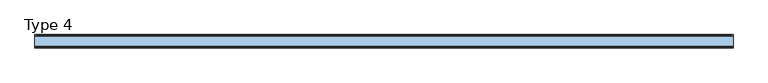
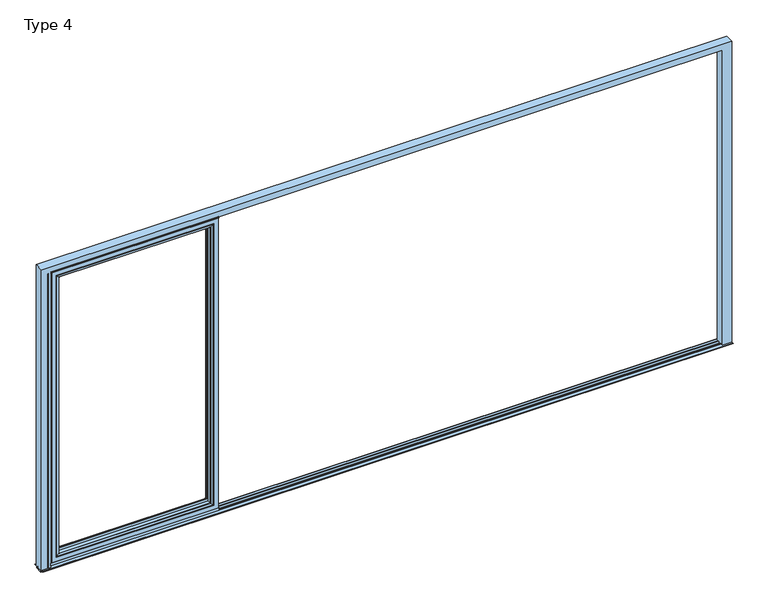
"""IFC4 building model written with IfcOpenShell, lengths in millimetres: window geometry, Type 4."""

from ifc_helpers import new_model, si_unit, point, frame, frame_2d, origin, place, context, project, spatial, polyline, circle_curve, ellipse_curve, trimmed, segment, composite_curve, outline, extrude, source, transform, mapped, element, save
from ifc_brep_helpers import plane_surface, cylinder_surface, advanced_brep


def type_4_be77a5d0(model_context):
    return source(origin(), model_context, "Body", "SolidModel", [
        advanced_brep(
        [(-1319.3995728, -64.5552044, 2283.0004272), (-1319.3995728, -37.9928974, 2283.0004272), (-1319.3995728, -37.9928974, 91.4995728), (-1319.3995728, -64.5552044, 91.4995728), (-1297.4, -37.9928974, 2305.0), (-1297.4, -37.9928974, 69.5), (-2480.8, -37.9928974, 69.5), (-2480.8, -37.9928974, 2305.0), (-2458.8004272, -37.9928974, 2283.0004272), (-2458.8004272, -37.9928974, 91.4995728), (-2458.8004272, -64.5552044, 91.4995728), (-1318.6900293, -65.8045072, 2283.7099707), (-1318.6900293, -65.8045072, 90.7900293), (-2459.5099707, -65.8045072, 90.7900293), (-1303.399939, -70.0, 2299.000061), (-1303.399939, -70.0, 75.499939), (-2474.800061, -70.0, 75.499939), (-2480.8, -70.0, 2305.0), (-2480.8, -70.0, 69.5), (-1297.4, -70.0, 69.5), (-1297.4, -70.0, 2305.0), (-2474.800061, -70.0, 2299.000061), (-2458.8004272, -64.5552044, 2283.0004272), (-2459.5099707, -65.8045072, 2283.7099707)],
        [
            (0, 1),
            (1, 2),
            (2, 3),
            (3, 0),
            (4, 5),
            (5, 6),
            (6, 7),
            (7, 4),
            (8, 9),
            (9, 2),
            (1, 8),
            (9, 10),
            (10, 3),
            (11, 0, ellipse_curve(frame((-1317.9449688, -64.5552044, 2284.4550312), z_axis=(0.7071067811865475, 0.0, -0.7071067811865475), x_axis=(0.7071067811865474, 0.0, 0.7071067811865476)), 2.0571207, 1.454604)),
            (3, 12, ellipse_curve(frame((-1317.9449688, -64.5552044, 90.0449688), z_axis=(0.7071067811865475, 0.0, 0.7071067811865475), x_axis=(-0.7071067811865474, 0.0, 0.7071067811865476)), 2.0571207, 1.454604)),
            (12, 11),
            (10, 13, ellipse_curve(frame((-2460.2550312, -64.5552044, 90.0449688), z_axis=(0.7071067811865475, 0.0, -0.7071067811865475), x_axis=(0.7071067811865476, 0.0, 0.7071067811865474)), 2.0571207, 1.454604)),
            (13, 12),
            (14, 11, ellipse_curve(frame((-1303.4638746, -40.2735922, 2298.9361254), z_axis=(0.7071067811865475, 0.0, -0.7071067811865475), x_axis=(0.7071067811865474, 0.0, 0.7071067811865476)), 42.0395863, 29.7264765)),
            (12, 15, ellipse_curve(frame((-1303.4638746, -40.2735922, 75.5638746), z_axis=(0.7071067811865475, 0.0, 0.7071067811865475), x_axis=(-0.7071067811865474, 0.0, 0.7071067811865476)), 42.0395863, 29.7264765)),
            (15, 14),
            (13, 16, ellipse_curve(frame((-2474.7361254, -40.2735922, 75.5638746), z_axis=(0.7071067811865475, 0.0, -0.7071067811865475), x_axis=(0.7071067811865476, 0.0, 0.7071067811865474)), 42.0395863, 29.7264765)),
            (16, 15),
            (17, 18),
            (18, 19),
            (19, 20),
            (20, 17),
            (16, 21),
            (21, 14),
            (4, 20),
            (19, 5),
            (18, 6),
            (8, 22),
            (22, 10),
            (22, 23, ellipse_curve(frame((-2460.2550312, -64.5552044, 2284.4550312), z_axis=(-0.7071067811865475, 0.0, -0.7071067811865475), x_axis=(0.7071067811865474, 0.0, -0.7071067811865476)), 2.0571207, 1.454604)),
            (23, 13),
            (23, 21, ellipse_curve(frame((-2474.7361254, -40.2735922, 2298.9361254), z_axis=(-0.7071067811865475, 0.0, -0.7071067811865475), x_axis=(0.7071067811865474, 0.0, -0.7071067811865476)), 42.0395863, 29.7264765)),
            (17, 7),
            (0, 22),
            (11, 23),
        ],
        [
            plane_surface(frame((-1319.3995728, -37.9928974, 2283.0004272), z_axis=(-1.0, 0.0, 0.0), x_axis=(0.0, 0.0, -1.0))),
            plane_surface(frame((-2480.8, -37.9928974, 69.5), z_axis=(0.0, 1.0, 0.0), x_axis=(0.0, 0.0, 1.0))),
            plane_surface(frame((-1319.3995728, -37.9928974, 91.4995728), z_axis=(0.0, 0.0, 1.0), x_axis=(-1.0, 0.0, 0.0))),
            cylinder_surface(frame((-1317.9449688, -64.5552044, 2283.0004272), z_axis=(0.0, 0.0, 1.0), x_axis=(1.0, 0.0, 0.0)), 1.454604),
            cylinder_surface(frame((-1319.3995728, -64.5552044, 90.0449688), z_axis=(1.0, 0.0, 0.0), x_axis=(0.0, 0.0, -1.0)), 1.454604),
            cylinder_surface(frame((-1303.4638746, -40.2735922, 2283.0004272), z_axis=(0.0, 0.0, 1.0), x_axis=(1.0, 0.0, 0.0)), 29.7264765),
            cylinder_surface(frame((-1319.3995728, -40.2735922, 75.5638746), z_axis=(1.0, 0.0, 0.0), x_axis=(0.0, 0.0, -1.0)), 29.7264765),
            plane_surface(frame((-2474.800061, -70.0, 75.499939), z_axis=(0.0, -1.0, 0.0), x_axis=(0.0, 0.0, 1.0))),
            plane_surface(frame((-1297.4, -70.0, 2305.0), z_axis=(1.0, 0.0, 0.0), x_axis=(0.0, 0.0, -1.0))),
            plane_surface(frame((-1297.4, -70.0, 69.5), z_axis=(0.0, 0.0, -1.0), x_axis=(-1.0, 0.0, 0.0))),
            plane_surface(frame((-2458.8004272, -37.9928974, 91.4995728), z_axis=(1.0, 0.0, 0.0), x_axis=(0.0, 0.0, 1.0))),
            cylinder_surface(frame((-2460.2550312, -64.5552044, 91.4995728), z_axis=(0.0, 0.0, -1.0), x_axis=(-1.0, 0.0, 0.0)), 1.454604),
            cylinder_surface(frame((-2474.7361254, -40.2735922, 91.4995728), z_axis=(0.0, 0.0, -1.0), x_axis=(-1.0, 0.0, 0.0)), 29.7264765),
            plane_surface(frame((-2480.8, -70.0, 69.5), z_axis=(-1.0, 0.0, 0.0), x_axis=(0.0, 0.0, 1.0))),
            plane_surface(frame((-2458.8004272, -37.9928974, 2283.0004272), z_axis=(0.0, 0.0, -1.0), x_axis=(1.0, 0.0, 0.0))),
            cylinder_surface(frame((-2458.8004272, -64.5552044, 2284.4550312), z_axis=(-1.0, 0.0, 0.0), x_axis=(0.0, 0.0, 1.0)), 1.454604),
            cylinder_surface(frame((-2458.8004272, -40.2735922, 2298.9361254), z_axis=(-1.0, 0.0, 0.0), x_axis=(0.0, 0.0, 1.0)), 29.7264765),
            plane_surface(frame((-2480.8, -70.0, 2305.0), z_axis=(0.0, 0.0, 1.0), x_axis=(1.0, 0.0, 0.0))),
        ],
        [
            (0, [[1, 2, 3, 4]]),
            (1, [[5, 6, 7, 8], [9, 10, -2, 11]]),
            (2, [[-3, -10, 12, 13]]),
            (3, [[14, -4, 15, 16]]),
            (4, [[-15, -13, 17, 18]]),
            (5, [[19, -16, 20, 21]]),
            (6, [[-20, -18, 22, 23]]),
            (7, [[24, 25, 26, 27], [-21, -23, 28, 29]]),
            (8, [[30, -26, 31, -5]]),
            (9, [[-31, -25, 32, -6]]),
            (10, [[-12, -9, 33, 34]]),
            (11, [[-17, -34, 35, 36]]),
            (12, [[-22, -36, 37, -28]]),
            (13, [[-32, -24, 38, -7]]),
            (14, [[-33, -11, -1, 39]]),
            (15, [[-35, -39, -14, 40]]),
            (16, [[-37, -40, -19, -29]]),
            (17, [[-38, -27, -30, -8]]),
        ],
    ),
        advanced_brep(
        [(-2512.8, -70.0, 2337.0), (-2512.8, 0.0, 2337.0), (-2512.8, 0.0, 37.5), (-2512.8, -70.0, 37.5), (-1265.4, 0.0, 37.5), (-1265.4, -70.0, 37.5), (-1265.4, 0.0, 2337.0), (-1314.8991901, 0.0, 86.9991901), (-1314.8991901, 0.0, 2287.5008099), (-2463.3008099, 0.0, 2287.5008099), (-2463.3008099, 0.0, 86.9991901), (-1265.4, -70.0, 2337.0), (-2480.8, -70.0, 69.5), (-2480.8, -70.0, 2305.0), (-1297.4, -70.0, 2305.0), (-1297.4, -70.0, 69.5), (-2480.8, -13.999939, 2305.0), (-2480.8, -13.999939, 69.5), (-1297.4, -13.999939, 69.5), (-1297.4, -13.999939, 2305.0), (-2458.8004272, -13.999939, 91.4995728), (-2458.8004272, -13.999939, 2283.0004272), (-1319.3995728, -13.999939, 2283.0004272), (-1319.3995728, -13.999939, 91.4995728), (-2458.8004272, -4.5004435, 2283.0004272), (-2458.8004272, -4.5004435, 91.4995728), (-1319.3995728, -4.5004435, 91.4995728), (-1319.3995728, -4.5004435, 2283.0004272)],
        [
            (0, 1),
            (1, 2),
            (2, 3),
            (3, 0),
            (2, 4),
            (4, 5),
            (5, 3),
            (1, 6),
            (6, 4),
            (7, 8),
            (8, 9),
            (9, 10),
            (10, 7),
            (6, 11),
            (11, 5),
            (11, 0),
            (12, 13),
            (13, 14),
            (14, 15),
            (15, 12),
            (16, 13),
            (12, 17),
            (17, 16),
            (15, 18),
            (18, 17),
            (14, 19),
            (19, 18),
            (19, 16),
            (20, 21),
            (21, 22),
            (22, 23),
            (23, 20),
            (24, 21),
            (20, 25),
            (25, 24),
            (23, 26),
            (26, 25),
            (22, 27),
            (27, 26),
            (10, 25, ellipse_curve(frame((-2463.3008099, -4.5004435, 86.9991901), z_axis=(0.7071067811865475, 0.0, -0.7071067811865475), x_axis=(-0.7071067811865476, 0.0, -0.7071067811865474)), 6.3645023, 4.5003827)),
            (26, 7, ellipse_curve(frame((-1314.8991901, -4.5004435, 86.9991901), z_axis=(-0.7071067811865475, 0.0, -0.7071067811865475), x_axis=(-0.7071067811865476, 0.0, 0.7071067811865474)), 6.3645023, 4.5003827)),
            (9, 24, ellipse_curve(frame((-2463.3008099, -4.5004435, 2287.5008099), z_axis=(-0.7071067811865475, 0.0, -0.7071067811865475), x_axis=(-0.7071067811865474, 0.0, 0.7071067811865476)), 6.3645023, 4.5003827)),
            (27, 8, ellipse_curve(frame((-1314.8991901, -4.5004435, 2287.5008099), z_axis=(0.7071067811865475, 0.0, -0.7071067811865475), x_axis=(-0.7071067811865474, 0.0, -0.7071067811865476)), 6.3645023, 4.5003827)),
            (24, 27),
        ],
        [
            plane_surface(frame((-2512.8, 0.0, 2337.0), z_axis=(-1.0, 0.0, 0.0), x_axis=(0.0, 0.0, -1.0))),
            plane_surface(frame((-2512.8, 0.0, 37.5), z_axis=(0.0, 0.0, -1.0), x_axis=(1.0, 0.0, 0.0))),
            plane_surface(frame((-2463.3008099, 0.0, 2287.5008099), z_axis=(0.0, 1.0, 0.0), x_axis=(0.0, 0.0, -1.0))),
            plane_surface(frame((-1265.4, 0.0, 37.5), z_axis=(1.0, 0.0, 0.0), x_axis=(0.0, 0.0, 1.0))),
            plane_surface(frame((-2512.8, -70.0, 2337.0), z_axis=(0.0, -1.0, 0.0), x_axis=(0.0, 0.0, -1.0))),
            plane_surface(frame((-2480.8, -70.0, 2305.0), z_axis=(1.0, 0.0, 0.0), x_axis=(0.0, 0.0, -1.0))),
            plane_surface(frame((-2480.8, -70.0, 69.5), z_axis=(0.0, 0.0, 1.0), x_axis=(1.0, 0.0, 0.0))),
            plane_surface(frame((-1297.4, -70.0, 69.5), z_axis=(-1.0, 0.0, 0.0), x_axis=(0.0, 0.0, 1.0))),
            plane_surface(frame((-2480.8, -13.999939, 2305.0), z_axis=(0.0, -1.0, 0.0), x_axis=(0.0, 0.0, -1.0))),
            plane_surface(frame((-2458.8004272, -13.999939, 2283.0004272), z_axis=(1.0, 0.0, 0.0), x_axis=(0.0, 0.0, -1.0))),
            plane_surface(frame((-2458.8004272, -13.999939, 91.4995728), z_axis=(0.0, 0.0, 1.0), x_axis=(1.0, 0.0, 0.0))),
            plane_surface(frame((-1319.3995728, -13.999939, 91.4995728), z_axis=(-1.0, 0.0, 0.0), x_axis=(0.0, 0.0, 1.0))),
            cylinder_surface(frame((-2518.8, -4.5004435, 86.9991901), z_axis=(-1.0, 0.0, 0.0), x_axis=(0.0, -1.0, 0.0)), 4.5003827),
            cylinder_surface(frame((-2463.3008099, -4.5004435, 2343.0), z_axis=(0.0, 0.0, 1.0), x_axis=(0.0, -1.0, 0.0)), 4.5003827),
            cylinder_surface(frame((-1314.8991901, -4.5004435, 31.5), z_axis=(0.0, 0.0, -1.0), x_axis=(0.0, -1.0, 0.0)), 4.5003827),
            plane_surface(frame((-1265.4, 0.0, 2337.0), z_axis=(0.0, 0.0, 1.0), x_axis=(-1.0, 0.0, 0.0))),
            plane_surface(frame((-1297.4, -70.0, 2305.0), z_axis=(0.0, 0.0, -1.0), x_axis=(-1.0, 0.0, 0.0))),
            plane_surface(frame((-1319.3995728, -13.999939, 2283.0004272), z_axis=(0.0, 0.0, -1.0), x_axis=(-1.0, 0.0, 0.0))),
            cylinder_surface(frame((-1259.4, -4.5004435, 2287.5008099), z_axis=(1.0, 0.0, 0.0), x_axis=(0.0, -1.0, 0.0)), 4.5003827),
        ],
        [
            (0, [[1, 2, 3, 4]]),
            (1, [[-3, 5, 6, 7]]),
            (2, [[-2, 8, 9, -5], [10, 11, 12, 13]]),
            (3, [[-6, -9, 14, 15]]),
            (4, [[-15, 16, -4, -7], [17, 18, 19, 20]]),
            (5, [[21, -17, 22, 23]]),
            (6, [[-22, -20, 24, 25]]),
            (7, [[-24, -19, 26, 27]]),
            (8, [[-27, 28, -23, -25], [29, 30, 31, 32]]),
            (9, [[33, -29, 34, 35]]),
            (10, [[-34, -32, 36, 37]]),
            (11, [[-36, -31, 38, 39]]),
            (12, [[40, -37, 41, -13]]),
            (13, [[42, -35, -40, -12]]),
            (14, [[-41, -39, 43, -10]]),
            (15, [[-14, -8, -1, -16]]),
            (16, [[-26, -18, -21, -28]]),
            (17, [[-38, -30, -33, 44]]),
            (18, [[-43, -44, -42, -11]]),
        ],
    ),
        extrude(outline(polyline([(-2518.8, -7.6000076), (-2518.8, 0.0), (-1259.4, 0.0), (-1259.4, -7.6000076), (-2518.8, -7.6000076)])), frame((0.0, 0.0, 15.4995117), z_axis=(0.0, 0.0, 1.0), x_axis=(1.0, 0.0, 0.0)), (0.0, 0.0, 1.0), 22.0004883),
        extrude(outline(polyline([(-2518.8, -70.0), (-2518.8, -62.2757497), (-1259.4, -62.2757497), (-1259.4, -70.0), (-2518.8, -70.0)])), frame((0.0, 0.0, 15.4995117), z_axis=(0.0, 0.0, 1.0), x_axis=(1.0, 0.0, 0.0)), (0.0, 0.0, 1.0), 22.0004883),
        extrude(outline(composite_curve([segment(polyline([(-52.044326, 2339.1400778), (-52.044326, 2337.0), (-70.0, 2337.0), (-71.8735116, 2343.9547971)]), True, "CONTINUOUS"), segment(trimmed(circle_curve(frame_2d((-69.9423544, 2344.4750201)), 2.0), [point((-71.8735116, 2343.9547971))], [point((-71.8738669, 2344.9939222))], False, "CARTESIAN"), True, "CONTINUOUS"), segment(polyline([(-71.8738669, 2344.9939222), (-70.8937897, 2348.6420698), (-70.0, 2348.6420698), (-70.0, 2342.963961), (-68.6363596, 2339.1400778), (-52.044326, 2339.1400778)]), True, "CONTINUOUS")], self_intersect=False)), frame((-2518.8, 0.0, 0.0), z_axis=(1.0, 0.0, 0.0), x_axis=(0.0, 1.0, 0.0)), (0.0, 0.0, 1.0), 1259.4),
        advanced_brep(
        [(2590.0, -70.0, 0.0), (2590.0, 0.0, 0.0), (2590.0, 0.0, 2390.0), (2590.0, -70.0, 2390.0), (2545.0, -66.5, 0.0), (2545.0, -70.0, 0.0), (2545.0, -70.0, 2345.0), (2545.0, -66.5, 2345.0), (2518.7961345, -66.5, 2345.0), (-2518.8, -66.5, 2345.0), (-2518.8, -66.5, 2365.9997864), (2518.7961345, -66.5, 2365.9997864), (2518.7961345, -55.8499756, 2365.9997864), (-2518.8, -55.8499756, 2365.9997864), (-2518.8, -55.8499756, 2349.000061), (2518.7961345, -55.8499756, 2349.000061), (2518.7961345, -46.25, 2349.000061), (-2518.8, -46.25, 2349.000061), (-2518.8, -46.25, 2365.9997864), (2518.7961345, -46.25, 2365.9997864), (2518.7961345, -23.7500839, 2365.9997864), (-2518.8, -23.7500839, 2365.9997864), (-2518.8, -23.7500839, 2349.000061), (2518.7961345, -23.7500839, 2349.000061), (2518.7961345, -14.1501312, 2349.000061), (-2518.8, -14.1501312, 2349.000061), (-2518.8, -14.1501312, 2365.9997864), (2518.7961345, -14.1501312, 2365.9997864), (2518.7961345, 0.0, 2365.9997864), (-2518.8, 0.0, 2365.9997864), (-2518.8, 0.0, 2330.0000916), (2518.7961345, 0.0, 2330.0000916), (2530.0000916, 7.4999847, 0.0), (2530.0000916, 0.0, 0.0), (2530.0000916, 0.0, 2330.0000916), (2530.0000916, 7.4999847, 2330.0000916), (2532.5000916, 9.9999847, 0.0), (2532.5000916, 9.9999847, 2332.5000916), (2573.499939, 9.9999847, 0.0), (-2532.5000916, 9.9999847, 2332.5000916), (-2532.5000916, 9.9999847, 0.0), (-2573.499939, 9.9999847, 0.0), (-2573.499939, 9.9999847, 2373.499939), (2573.499939, 9.9999847, 2373.499939), (2577.999939, 5.4999847, 0.0), (2577.999939, 5.4999847, 2377.999939), (2577.999939, 0.0, 0.0), (2577.999939, 0.0, 2377.999939), (-2577.999939, 0.0, 0.0), (-2577.999939, 0.0, 2377.999939), (-2577.999939, 5.4999847, 2377.999939), (-2577.999939, 5.4999847, 0.0), (-2590.0, 0.0, 2390.0), (-2590.0, 0.0, 0.0), (-2590.0, -70.0, 0.0), (-2590.0, -70.0, 2390.0), (-2545.0, -70.0, 2345.0), (-2545.0, -70.0, 0.0), (-2545.0, -66.5, 0.0), (-2545.0, -66.4999084, 2345.0), (-2530.0000916, 7.4999847, 2330.0000916), (-2530.0000916, 0.0, 2330.0000916), (-2530.0000916, 0.0, 0.0), (-2530.0000916, 7.4999847, 0.0), (2540.0003662, -70.0, 2345.0), (2540.0003662, -66.4999084, 2345.0), (-2540.0003662, -66.4999084, 2345.0), (-2540.0003662, -70.0, 2345.0), (2518.7961345, -70.0, 2345.0), (-2518.8, -70.0, 2345.0), (-2540.0003662, -66.4999084, 0.0), (-2540.0003662, -70.0, 0.0), (2540.0003662, -66.4999084, 0.0), (2540.0003662, -70.0, 0.0), (-2518.8, -70.0, 0.0), (-2518.8, 0.0, 0.0), (2518.7961345, 0.0, 0.0), (2518.7961345, -70.0, 0.0)],
        [
            (0, 1),
            (1, 2),
            (2, 3),
            (3, 0),
            (4, 5),
            (5, 6),
            (6, 7),
            (7, 4),
            (8, 9),
            (9, 10),
            (10, 11),
            (11, 8),
            (12, 13),
            (13, 14),
            (14, 15),
            (15, 12),
            (16, 17),
            (17, 18),
            (18, 19),
            (19, 16),
            (20, 21),
            (21, 22),
            (22, 23),
            (23, 20),
            (24, 25),
            (25, 26),
            (26, 27),
            (27, 24),
            (28, 29),
            (29, 30),
            (30, 31),
            (31, 28),
            (32, 33),
            (33, 34),
            (34, 35),
            (35, 32),
            (36, 32, circle_curve(frame((2532.5000916, 7.4999847, 0.0), z_axis=(0.0, 0.0, 1.0), x_axis=(-1.0, 0.0, 0.0)), 2.5)),
            (35, 37, ellipse_curve(frame((2532.5000916, 7.4999847, 2332.5000916), z_axis=(0.7071067811865475, 0.0, -0.7071067811865475), x_axis=(-0.7071067811865474, 0.0, -0.7071067811865476)), 3.5355339, 2.5)),
            (37, 36),
            (38, 36),
            (37, 39),
            (39, 40),
            (40, 41),
            (41, 42),
            (42, 43),
            (43, 38),
            (44, 38, circle_curve(frame((2573.499939, 5.4999847, 0.0), z_axis=(0.0, 0.0, 1.0), x_axis=(-1.0, 0.0, 0.0)), 4.5)),
            (43, 45, ellipse_curve(frame((2573.499939, 5.4999847, 2373.499939), z_axis=(0.7071067811865475, 0.0, -0.7071067811865475), x_axis=(-0.7071067811865474, 0.0, -0.7071067811865476)), 6.363961, 4.5)),
            (45, 44),
            (46, 44),
            (45, 47),
            (47, 46),
            (48, 49),
            (49, 50),
            (50, 51),
            (51, 48),
            (52, 53),
            (53, 54),
            (54, 55),
            (55, 52),
            (56, 57),
            (57, 58),
            (58, 59),
            (59, 56),
            (60, 61),
            (61, 62),
            (62, 63),
            (63, 60),
            (39, 60, ellipse_curve(frame((-2532.5000916, 7.4999847, 2332.5000916), z_axis=(-0.7071067811865475, 0.0, -0.7071067811865475), x_axis=(-0.7071067811865474, 0.0, 0.7071067811865476)), 3.5355339, 2.5)),
            (63, 40, circle_curve(frame((-2532.5000916, 7.4999847, 0.0), z_axis=(0.0, 0.0, 1.0), x_axis=(1.0, 0.0, 0.0)), 2.5)),
            (41, 51, circle_curve(frame((-2573.499939, 5.4999847, 0.0), z_axis=(0.0, 0.0, 1.0), x_axis=(1.0, 0.0, 0.0)), 4.5)),
            (50, 42, ellipse_curve(frame((-2573.499939, 5.4999847, 2373.499939), z_axis=(-0.7071067811865475, 0.0, -0.7071067811865475), x_axis=(-0.7071067811865474, 0.0, 0.7071067811865476)), 6.363961, 4.5)),
            (49, 47),
            (45, 50),
            (6, 64),
            (64, 65),
            (65, 7),
            (59, 66),
            (66, 67),
            (67, 56),
            (68, 69),
            (69, 9),
            (8, 68),
            (12, 11),
            (10, 13),
            (16, 15),
            (14, 17),
            (20, 19),
            (18, 21),
            (24, 23),
            (22, 25),
            (28, 27),
            (26, 29),
            (34, 31),
            (30, 61),
            (60, 35),
            (70, 71),
            (71, 67),
            (66, 70),
            (58, 70),
            (72, 4),
            (65, 72),
            (73, 72),
            (64, 73),
            (74, 75),
            (75, 30),
            (69, 74),
            (76, 77),
            (77, 68),
            (31, 76),
            (1, 46),
            (48, 53),
            (52, 2),
            (75, 62),
            (33, 76),
            (57, 54),
            (74, 71),
            (5, 0),
            (3, 55),
            (77, 73),
        ],
        [
            plane_surface(frame((2590.0, 0.0, 0.0), z_axis=(1.0, 0.0, 0.0), x_axis=(0.0, 0.0, 1.0))),
            plane_surface(frame((2545.0, -70.0, 0.0), z_axis=(-1.0, 0.0, 0.0), x_axis=(0.0, 0.0, 1.0))),
            plane_surface(frame((2545.0, -66.5, 0.0), z_axis=(0.0, 1.0, 0.0), x_axis=(0.0, 0.0, 1.0))),
            plane_surface(frame((2565.9997864, -55.8499756, 0.0), z_axis=(0.0, -1.0, 0.0), x_axis=(0.0, 0.0, 1.0))),
            plane_surface(frame((2549.000061, -46.25, 0.0), z_axis=(0.0, 1.0, 0.0), x_axis=(0.0, 0.0, 1.0))),
            plane_surface(frame((2565.9997864, -23.7500839, 0.0), z_axis=(0.0, -1.0, 0.0), x_axis=(0.0, 0.0, 1.0))),
            plane_surface(frame((2549.000061, -14.1501312, 0.0), z_axis=(0.0, 1.0, 0.0), x_axis=(0.0, 0.0, 1.0))),
            plane_surface(frame((2565.9997864, 0.0, 0.0), z_axis=(0.0, -1.0, 0.0), x_axis=(0.0, 0.0, 1.0))),
            plane_surface(frame((2530.0000916, 0.0, 0.0), z_axis=(-1.0, 0.0, 0.0), x_axis=(0.0, 0.0, 1.0))),
            cylinder_surface(frame((2532.5000916, 7.4999847, 0.0), z_axis=(0.0, 0.0, -1.0), x_axis=(-1.0, 0.0, 0.0)), 2.5),
            plane_surface(frame((2532.5000916, 9.9999847, 0.0), z_axis=(0.0, 1.0, 0.0), x_axis=(0.0, 0.0, 1.0))),
            cylinder_surface(frame((2573.499939, 5.4999847, 0.0), z_axis=(0.0, 0.0, -1.0), x_axis=(-1.0, 0.0, 0.0)), 4.5),
            plane_surface(frame((2577.999939, 5.4999847, 0.0), z_axis=(1.0, 0.0, 0.0), x_axis=(0.0, 0.0, 1.0))),
            plane_surface(frame((-2577.999939, 5.4999847, 2377.999939), z_axis=(-1.0, 0.0, 0.0), x_axis=(0.0, 0.0, -1.0))),
            plane_surface(frame((-2590.0, 0.0, 2390.0), z_axis=(-1.0, 0.0, 0.0), x_axis=(0.0, 0.0, -1.0))),
            plane_surface(frame((-2545.0, -70.0, 2345.0), z_axis=(1.0, 0.0, 0.0), x_axis=(0.0, 0.0, -1.0))),
            plane_surface(frame((-2530.0000916, 0.0, 2330.0000916), z_axis=(1.0, 0.0, 0.0), x_axis=(0.0, 0.0, -1.0))),
            cylinder_surface(frame((-2532.5000916, 7.4999847, 2390.0), z_axis=(0.0, 0.0, 1.0), x_axis=(1.0, 0.0, 0.0)), 2.5),
            cylinder_surface(frame((-2573.499939, 5.4999847, 2390.0), z_axis=(0.0, 0.0, 1.0), x_axis=(1.0, 0.0, 0.0)), 4.5),
            plane_surface(frame((2577.999939, 5.4999847, 2377.999939), z_axis=(0.0, 0.0, 1.0), x_axis=(-1.0, 0.0, 0.0))),
            plane_surface(frame((2545.0, -70.0, 2345.0), z_axis=(0.0, 0.0, -1.0), x_axis=(-1.0, 0.0, 0.0))),
            plane_surface(frame((2565.9997864, -66.5, 2365.9997864), z_axis=(0.0, 0.0, -1.0), x_axis=(-1.0, 0.0, 0.0))),
            plane_surface(frame((2549.000061, -55.8499756, 2349.000061), z_axis=(0.0, 0.0, -1.0), x_axis=(-1.0, 0.0, 0.0))),
            plane_surface(frame((2565.9997864, -46.25, 2365.9997864), z_axis=(0.0, 0.0, -1.0), x_axis=(-1.0, 0.0, 0.0))),
            plane_surface(frame((2549.000061, -23.7500839, 2349.000061), z_axis=(0.0, 0.0, -1.0), x_axis=(-1.0, 0.0, 0.0))),
            plane_surface(frame((2565.9997864, -14.1501312, 2365.9997864), z_axis=(0.0, 0.0, -1.0), x_axis=(-1.0, 0.0, 0.0))),
            plane_surface(frame((2530.0000916, 0.0, 2330.0000916), z_axis=(0.0, 0.0, -1.0), x_axis=(-1.0, 0.0, 0.0))),
            cylinder_surface(frame((2590.0, 7.4999847, 2332.5000916), z_axis=(1.0, 0.0, 0.0), x_axis=(0.0, 0.0, -1.0)), 2.5),
            cylinder_surface(frame((2590.0, 5.4999847, 2373.499939), z_axis=(1.0, 0.0, 0.0), x_axis=(0.0, 0.0, -1.0)), 4.5),
            plane_surface(frame((-2540.0003662, -66.4999084, 2390.0), z_axis=(-1.0, 0.0, 0.0), x_axis=(0.0, 0.0, -1.0))),
            plane_surface(frame((-2565.9997864, -66.4999084, 2390.0), z_axis=(0.0, -1.0, 0.0), x_axis=(0.0, 0.0, -1.0))),
            plane_surface(frame((2540.0003662, -66.4999084, 2390.0), z_axis=(0.0, -1.0, 0.0), x_axis=(0.0, 0.0, -1.0))),
            plane_surface(frame((2540.0003662, -70.0, 2390.0), z_axis=(1.0, 0.0, 0.0), x_axis=(0.0, 0.0, -1.0))),
            plane_surface(frame((-2518.8, -70.0, 2390.0), z_axis=(1.0, 0.0, 0.0), x_axis=(0.0, 0.0, -1.0))),
            plane_surface(frame((2518.7961345, 0.0, 2390.0), z_axis=(-1.0, 0.0, 0.0), x_axis=(0.0, 0.0, -1.0))),
            plane_surface(frame((-2518.8, 0.0, 2390.0), z_axis=(0.0, 1.0, 0.0), x_axis=(0.0, 0.0, -1.0))),
            plane_surface(frame((-2590.0, -70.0, 0.0), z_axis=(0.0, 0.0, -1.0), x_axis=(0.0, -1.0, 0.0))),
            plane_surface(frame((-2540.0003662, -70.0, 2390.0), z_axis=(0.0, -1.0, 0.0), x_axis=(0.0, 0.0, -1.0))),
            plane_surface(frame((2590.0, -70.0, 0.0), z_axis=(0.0, 0.0, -1.0), x_axis=(0.0, -1.0, 0.0))),
            plane_surface(frame((-2590.0, -70.0, 2390.0), z_axis=(0.0, 0.0, 1.0), x_axis=(0.0, -1.0, 0.0))),
        ],
        [
            (0, [[1, 2, 3, 4]]),
            (1, [[5, 6, 7, 8]]),
            (2, [[9, 10, 11, 12]]),
            (3, [[13, 14, 15, 16]]),
            (4, [[17, 18, 19, 20]]),
            (5, [[21, 22, 23, 24]]),
            (6, [[25, 26, 27, 28]]),
            (7, [[29, 30, 31, 32]]),
            (8, [[33, 34, 35, 36]]),
            (9, [[37, -36, 38, 39]]),
            (10, [[40, -39, 41, 42, 43, 44, 45, 46]]),
            (11, [[47, -46, 48, 49]]),
            (12, [[50, -49, 51, 52]]),
            (13, [[53, 54, 55, 56]]),
            (14, [[57, 58, 59, 60]]),
            (15, [[61, 62, 63, 64]]),
            (16, [[65, 66, 67, 68]]),
            (17, [[-42, 69, -68, 70]]),
            (18, [[-44, 71, -55, 72]]),
            (19, [[73, -51, 74, -54]]),
            (20, [[-7, 75, 76, 77]]),
            (20, [[-64, 78, 79, 80]]),
            (20, [[81, 82, -9, 83]]),
            (21, [[-13, 84, -11, 85]]),
            (22, [[-17, 86, -15, 87]]),
            (23, [[-21, 88, -19, 89]]),
            (24, [[-25, 90, -23, 91]]),
            (25, [[-29, 92, -27, 93]]),
            (26, [[-35, 94, -31, 95, -65, 96]]),
            (27, [[-38, -96, -69, -41]]),
            (28, [[-45, -72, -74, -48]]),
            (29, [[97, 98, -79, 99]]),
            (30, [[100, -99, -78, -63]]),
            (31, [[101, -8, -77, 102]]),
            (32, [[103, -102, -76, 104]]),
            (33, [[105, 106, -30, -93, -26, -91, -22, -89, -18, -87, -14, -85, -10, -82, 107]]),
            (34, [[108, 109, -83, -12, -84, -16, -86, -20, -88, -24, -90, -28, -92, -32, 110]]),
            (35, [[111, -52, -73, -53, 112, -57, 113, -2]]),
            (35, [[114, -66, -95, -106]]),
            (35, [[115, -110, -94, -34]]),
            (36, [[-97, -100, -62, 116, -58, -112, -56, -71, -43, -70, -67, -114, -105, 117]]),
            (37, [[118, -4, 119, -59, -116, -61, -80, -98, -117, -107, -81, -109, 120, -104, -75, -6]]),
            (38, [[-120, -108, -115, -33, -37, -40, -47, -50, -111, -1, -118, -5, -101, -103]]),
            (39, [[-3, -113, -60, -119]]),
        ],
    ),
        extrude(outline(polyline([(15.0, 1.0391775), (15.0, 0.0), (-6.000061, 0.0), (-6.000061, -12.4999924), (-64.000061, -12.4999924), (-64.000061, 0.0), (-85.0000807, 0.0), (-85.0000807, 1.0392014), (-80.7379205, 3.4999924), (-53.5502106, 3.4999924), (-53.5502106, 7.1000061), (-46.250061, 7.1000061), (-46.250061, -8.6999969), (-23.750061, -8.6999969), (-23.750061, 7.1000061), (-16.4499115, 7.1000061), (-16.4499115, 3.5000076), (10.737772, 3.5000076), (15.0, 1.0391775)])), frame((-2590.0, 0.0, 0.0), z_axis=(1.0, 0.0, 0.0), x_axis=(0.0, 1.0, 0.0)), (0.0, 0.0, 1.0), 5180.0),
    ])


if __name__ == "__main__":
    model = new_model("IFC4")
    model_context = context("Model", 3, world=origin())
    ifc_project = project(units=[si_unit("LENGTHUNIT", "METRE", prefix="MILLI")], contexts=[model_context])
    site = spatial("IfcSite", under=ifc_project)
    building = spatial("IfcBuilding", under=site)
    placement = place(None, origin())
    type_4_shape = type_4_be77a5d0(model_context)
    element("IfcWindow", 1, ObjectType="Type 4", at=placement, inside=building, context=model_context, shape_type="MappedRepresentation", body=[
        mapped(type_4_shape, transform((0.0, 0.0, 0.0), x_axis=(1.0, 0.0, 0.0), y_axis=(0.0, 1.0, 0.0), z_axis=(0.0, 0.0, 1.0))),
    ])
    save(model, "model.ifc")
